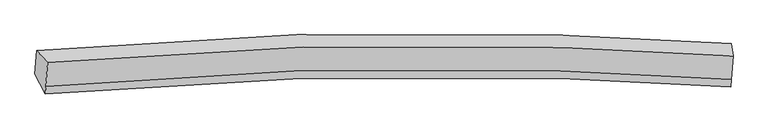
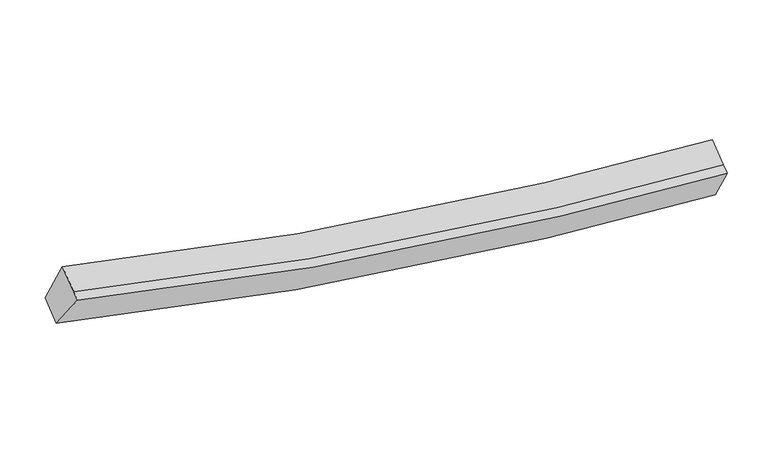
"""IFC4 building model written with IfcOpenShell, lengths in millimetres: proxy geometry."""

from ifc_helpers import new_model, si_unit, frame, origin, place, context, project, spatial, source, transform, mapped, element, save
from ifc_brep_helpers import plane_surface, spline_curve, spline_surface, advanced_brep


def generic_models_9ce4d5e3(model_context):
    return source(origin(), model_context, "Body", "AdvancedBrep", [
        advanced_brep(
        [(-6492.2053395, -1841.7192311, 4053.922057), (-6307.7021063, -2049.6270681, 4705.994104), (5342.6645472, -1933.5138282, 2950.4955992), (5313.894385, -1721.5203134, 2267.9123142), (-6336.8333616, -2450.6696298, 4483.5189885), (5313.6164392, -2333.4117226, 2728.6554787), (-6346.3421493, -2581.5746852, 4410.9004685), (5304.1076515, -2464.3167779, 2656.0369587), (-6522.8976031, -2239.1444795, 3826.4419287), (5284.6733161, -2123.7993154, 2044.7512936)],
        [
            (0, 1),
            (1, 2, spline_curve(3, [(-6307.7021063, -2049.6270681, 4705.994104), (-3431.119481848, -1783.261182868, 3837.626216715), (-513.785583332, -1695.862763324, 3291.322249556), (3406.11298667, -1817.205239407, 2994.17115788), (4372.234638965, -1865.899245027, 2955.308956759), (5342.6645472, -1933.5138282, 2950.4955992)], [4, 2, 4], [0.0, 29.494399718158505, 39.084424041894565])),
            (2, 3),
            (3, 0, spline_curve(3, [(5313.894385, -1721.5203134, 2267.9123142), (4337.025245663, -1653.440886084, 2272.657642044), (3362.919037776, -1604.478085978, 2312.080814546), (-595.818839605, -1482.839138905, 2614.081674831), (-3557.079206328, -1571.868244339, 3169.995082431), (-6492.2053395, -1841.7192311, 4053.922057)], [4, 2, 4], [0.0, 9.59002432373606, 39.084424041894565])),
            (1, 4),
            (4, 5, spline_curve(3, [(-6336.8333616, -2450.6696298, 4483.5189885), (-3460.202106956, -2183.634253841, 3615.522495806), (-542.840491674, -2095.854278853, 3069.430193763), (3377.067089783, -2217.072693283, 2772.347924), (4343.188742307, -2265.766699019, 2733.485722997), (5313.6164392, -2333.4117226, 2728.6554787)], [4, 2, 4], [0.0, 29.29754463972141, 38.823562066944824])),
            (5, 2),
            (4, 6),
            (6, 7, spline_curve(3, [(-6346.3421493, -2581.5746852, 4410.9004685), (-3469.710894626, -2314.539308613, 3542.903976213), (-552.349279116, -2226.7593341, 2996.811673205), (3367.558301999, -2347.9777486, 2699.729404181), (4333.679954603, -2396.671754167, 2660.867202691), (5304.1076515, -2464.3167779, 2656.0369587)], [4, 2, 4], [0.0, 29.297542780093792, 38.82355960266432])),
            (7, 5),
            (6, 8),
            (8, 9, spline_curve(3, [(-6522.8976031, -2239.1444795, 3826.4419287), (-3586.91100099, -1972.132345571, 2945.041103692), (-625.160235475, -1884.721157545, 2390.567398114), (3333.737092864, -2006.886166044, 2089.034654085), (4307.843301126, -2055.84896613, 2049.611481245), (5284.6733161, -2123.7993154, 2044.7512936)], [4, 2, 4], [0.0, 29.494805651627537, 39.08496196353352])),
            (9, 7),
            (8, 0),
            (3, 9),
        ],
        [
            spline_surface(3, 3, [[(-6492.2053395, -1841.7192311, 4053.922057), (-3557.079205895, -1571.868244547, 3169.995082725), (-595.818839193, -1482.839138708, 2614.081674455), (3362.919037642, -1604.478086041, 2312.080814668), (4337.025245765, -1653.440886013, 2272.657641948), (5313.894385, -1721.5203134, 2267.9123142)], [(-6430.704261758, -1911.021843409, 4271.279406008), (-3515.092631322, -1642.332557133, 3392.538794106), (-568.474420559, -1553.847013596, 2839.828532904), (3377.317020678, -1675.387137179, 2539.444262394), (4348.761710188, -1724.260339053, 2500.20808015), (5323.484439081, -1792.184818324, 2495.44007584)], [(-6369.203184042, -1980.324455791, 4488.636754992), (-3473.106056776, -1712.796869792, 3615.082505464), (-541.130001996, -1624.854888437, 3065.575391319), (3391.715003644, -1746.296188269, 2766.807710085), (4360.498174567, -1795.079792122, 2727.75851843), (5333.074493119, -1862.849323276, 2722.96783756)], [(-6307.7021063, -2049.6270681, 4705.994104), (-3431.119482203, -1783.261182378, 3837.626216845), (-513.785583363, -1695.862763325, 3291.322249769), (3406.11298668, -1817.205239407, 2994.171157811), (4372.234638989, -1865.899245162, 2955.308956632), (5342.6645472, -1933.5138282, 2950.4955992)]], [4, 4], [4, 2, 4], [0.0, 2.339753470456589], [0.0, 29.494399718158505, 39.084424041894565]),
            spline_surface(3, 3, [[(-6307.7021063, -2049.6270681, 4705.994104), (-3431.119482203, -1783.261182378, 3837.626216845), (-513.785583363, -1695.862763325, 3291.322249769), (3406.11298668, -1817.205239407, 2994.171157811), (4372.234638989, -1865.899245162, 2955.308956632), (5342.6645472, -1933.5138282, 2950.4955992)], [(-6317.412524738, -2183.307922028, 4631.835732189), (-3440.813690312, -1916.718872839, 3763.591643161), (-523.470552886, -1829.193268526, 3217.358231078), (3396.431021059, -1950.494390664, 2920.230079886), (4362.552673368, -1999.188396419, 2881.367878708), (5332.981844521, -2066.813126346, 2876.548892371)], [(-6327.122943162, -2316.988775872, 4557.677360311), (-3450.507898407, -2050.176563217, 3689.55706941), (-533.155522371, -1962.523773787, 3143.394212376), (3386.749055475, -2083.783541982, 2846.28900195), (4352.870707784, -2132.477547637, 2807.426800771), (5323.299141879, -2200.112424454, 2802.602185529)], [(-6336.8333616, -2450.6696298, 4483.5189885), (-3460.202106515, -2183.634253678, 3615.522495726), (-542.840491893, -2095.854278988, 3069.430193686), (3377.067089854, -2217.072693239, 2772.347924025), (4343.188742163, -2265.766698894, 2733.485722846), (5313.6164392, -2333.4117226, 2728.6554787)]], [4, 4], [4, 2, 4], [0.0, 1.5041068048421187], [0.0, 29.29754463972141, 38.823562066944824]),
            spline_surface(3, 3, [[(-6336.8333616, -2450.6696298, 4483.5189885), (-3460.202106515, -2183.634253678, 3615.522495726), (-542.840491893, -2095.854278988, 3069.430193686), (3377.067089854, -2217.072693239, 2772.347924025), (4343.188742163, -2265.766698894, 2733.485722846), (5313.6164392, -2333.4117226, 2728.6554787)], [(-6340.002957508, -2494.304648241, 4459.312815167), (-3463.371702423, -2227.269272119, 3591.316322393), (-546.010087801, -2139.489297429, 3045.224020353), (3373.897493946, -2260.70771168, 2748.141750691), (4340.019146255, -2309.401717335, 2709.279549513), (5310.446843292, -2377.046741041, 2704.449305367)], [(-6343.172553392, -2537.939666759, 4435.106641833), (-3466.541298307, -2270.904290637, 3567.11014906), (-549.179683685, -2183.124315847, 3021.01784702), (3370.727898062, -2304.342730098, 2723.935577358), (4336.849550371, -2353.036735753, 2685.07337618), (5307.277247408, -2420.681759459, 2680.243132033)], [(-6346.3421493, -2581.5746852, 4410.9004685), (-3469.710894215, -2314.539309078, 3542.903975726), (-552.349279593, -2226.759334288, 2996.811673686), (3367.558302154, -2347.977748539, 2699.729404025), (4333.679954463, -2396.671754194, 2660.867202846), (5304.1076515, -2464.3167779, 2656.0369587)]], [4, 4], [4, 2, 4], [0.0, 0.4921259842519703], [0.0, 29.297542780093792, 38.82355960266432]),
            spline_surface(3, 3, [[(-6346.3421493, -2581.5746852, 4410.9004685), (-3469.710894215, -2314.539309078, 3542.903975726), (-552.349279593, -2226.759334288, 2996.811673686), (3367.558302154, -2347.977748539, 2699.729404025), (4333.679954463, -2396.671754194, 2660.867202846), (5304.1076515, -2464.3167779, 2656.0369587)], [(-6405.193967212, -2467.431283299, 4216.080955214), (-3508.777596301, -2200.403654464, 3343.616351843), (-576.61959825, -2112.746608601, 2794.730248587), (3356.284565745, -2234.280554423, 2496.164487346), (4325.067736669, -2283.064158176, 2457.115295691), (5297.629539718, -2350.81095707, 2452.275070336)], [(-6464.045785188, -2353.287881401, 4021.261441986), (-3547.844298452, -2086.267999855, 3144.328728018), (-600.889916933, -1998.73388288, 2592.648823493), (3345.010829311, -2120.583360274, 2292.599570673), (4316.45551882, -2169.456562148, 2253.363388529), (5291.151427882, -2237.30513623, 2248.513181964)], [(-6522.8976031, -2239.1444795, 3826.4419287), (-3586.911000538, -1972.132345241, 2945.041104135), (-625.16023559, -1884.721157193, 2390.567398394), (3333.737092902, -2006.886166158, 2089.034653994), (4307.843301026, -2055.84896613, 2049.611481373), (5284.6733161, -2123.7993154, 2044.7512936)]], [4, 4], [4, 2, 4], [0.0, 2.2929498122506318], [0.0, 29.494805651627537, 39.08496196353352]),
            spline_surface(3, 3, [[(-6522.8976031, -2239.1444795, 3826.4419287), (-3586.911000538, -1972.132345241, 2945.041104135), (-625.16023559, -1884.721157193, 2390.567398394), (3333.737092902, -2006.886166158, 2089.034653994), (4307.843301026, -2055.84896613, 2049.611481373), (5284.6733161, -2123.7993154, 2044.7512936)], [(-6512.666848584, -2106.669396724, 3902.268638123), (-3576.967069008, -1838.710978367, 3020.025763655), (-615.379770136, -1750.760484351, 2465.072157068), (3343.464407804, -1872.750139439, 2163.383374206), (4317.570615928, -1921.71293941, 2123.960201585), (5294.413672388, -1989.706314719, 2119.138300487)], [(-6502.436094016, -1974.194313876, 3978.095347577), (-3567.023137425, -1705.289611421, 3095.010423205), (-605.599304647, -1616.79981155, 2539.576915781), (3353.19172274, -1738.614112761, 2237.732094457), (4327.297930864, -1787.576912733, 2198.308921736), (5304.154028712, -1855.613314081, 2193.525307313)], [(-6492.2053395, -1841.7192311, 4053.922057), (-3557.079205895, -1571.868244547, 3169.995082725), (-595.818839193, -1482.839138708, 2614.081674455), (3362.919037642, -1604.478086041, 2312.080814668), (4337.025245765, -1653.440886013, 2272.657641948), (5313.894385, -1721.5203134, 2267.9123142)]], [4, 4], [4, 2, 4], [0.0, 1.5112008012522538], [0.0, 29.69166233235301, 39.34582606175137]),
            plane_surface(frame((5311.3349749, -2060.7875587, 2479.7990414), z_axis=(0.9976024568304885, -0.04191707579382453, -0.055066295341783825), x_axis=(-0.02776333620830091, 0.4864535178445418, -0.8732652358471938))),
            plane_surface(frame((-6417.2867996, -2178.0163659, 4249.3146395), z_axis=(-0.9654795450997201, -0.06917812913190692, 0.25112473881289954), x_axis=(-0.0668748107291727, -0.8659425923450117, -0.4956522838167281))),
        ],
        [
            (0, [[1, 2, 3, 4]]),
            (1, [[5, 6, 7, -2]]),
            (2, [[8, 9, 10, -6]]),
            (3, [[11, 12, 13, -9]]),
            (4, [[14, -4, 15, -12]]),
            (5, [[-13, -15, -3, -7, -10]]),
            (6, [[-14, -11, -8, -5, -1]]),
        ],
    ),
    ])


if __name__ == "__main__":
    model = new_model("IFC4")
    model_context = context("Model", 3, world=origin())
    ifc_project = project(units=[si_unit("LENGTHUNIT", "METRE", prefix="MILLI")], contexts=[model_context])
    site = spatial("IfcSite", under=ifc_project)
    building = spatial("IfcBuilding", under=site)
    placement = place(None, origin())
    generic_models_shape = generic_models_9ce4d5e3(model_context)
    element("IfcBuildingElementProxy", 1, Name="Generic Models", at=placement, inside=building, context=model_context, shape_type="MappedRepresentation", body=[
        mapped(generic_models_shape, transform((0.0, 0.0, 0.0), x_axis=(1.0, 0.0, 0.0), y_axis=(0.0, 1.0, 0.0), z_axis=(0.0, 0.0, 1.0))),
    ])
    save(model, "model.ifc")
